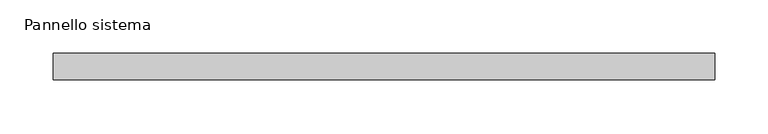
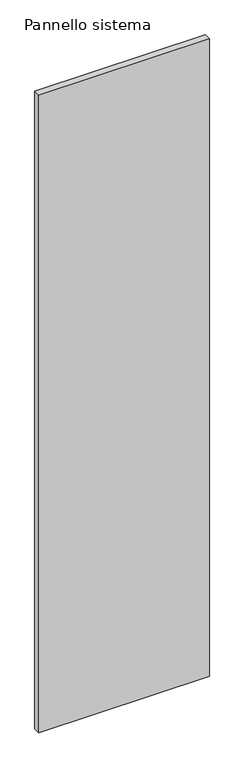
"""IFC4 building model written with IfcOpenShell, lengths in millimetres: plate geometry, Pannello sistema."""

from ifc_helpers import new_model, si_unit, origin, origin_with_axes, place, context, project, spatial, polyline, outline, extrude, source, transform, mapped, element, save


def pannello_sistema_7d737dfd(model_context):
    return source(origin(), model_context, "Body", "SweptSolid", [
        extrude(outline(polyline([(310.0, -12.5), (-310.0, -12.5), (-310.0, 12.5), (310.0, 12.5), (310.0, -12.5)])), origin_with_axes(), (0.0, 0.0, 1.0), 2450.0),
    ])


if __name__ == "__main__":
    model = new_model("IFC4")
    model_context = context("Model", 3, world=origin())
    ifc_project = project(units=[si_unit("LENGTHUNIT", "METRE", prefix="MILLI")], contexts=[model_context])
    site = spatial("IfcSite", under=ifc_project)
    building = spatial("IfcBuilding", under=site)
    placement = place(None, origin())
    pannello_sistema_shape = pannello_sistema_7d737dfd(model_context)
    element("IfcPlate", 1, ObjectType="Pannello sistema", at=placement, inside=building, context=model_context, shape_type="MappedRepresentation", body=[
        mapped(pannello_sistema_shape, transform((0.0, 0.0, 0.0), x_axis=(1.0, 0.0, 0.0), y_axis=(0.0, 1.0, 0.0), z_axis=(0.0, 0.0, 1.0))),
    ])
    save(model, "model.ifc")
